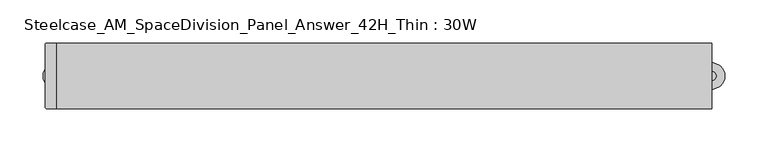
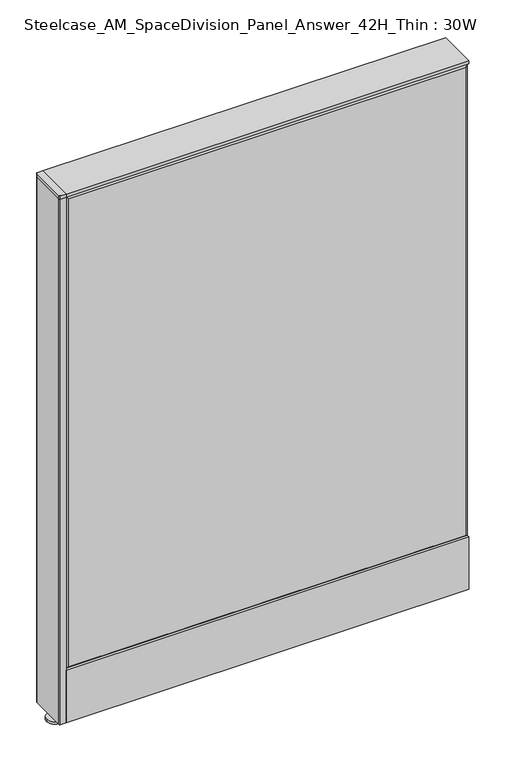
"""IFC4 building model written with IfcOpenShell, lengths in millimetres: furniture geometry, Steelcase_AM_SpaceDivision_Panel_Answer_42H_Thin : 30W."""

import ifcopenshell
import ifcopenshell.guid

model = None  # the IFC model being written
_history = None  # IfcOwnerHistory: only IFC2X3 demands one
_inside = {}  # id of a spatial element -> (the spatial element, [elements in it])
_under = {}  # id of a project, library or spatial element -> (it, [spatial elements below it])
_declared = {}  # id of a project -> (the project, [libraries it declares])
_typed = {}  # id of a type object -> (the type object, [elements of that type])
_made_of = {}  # id of a material, layer set ... -> (it, [elements and type objects made of it])


def new_model(schema):
    """Start an empty IFC model of exactly this schema.

    Asked for "IFC4X3", IfcOpenShell would pick the latest addendum, in which some entities
    have other attributes; the version numbers below select the first issue.
    IFC2X3 requires an IfcOwnerHistory on every rooted entity: one is made here for all.
    """
    global model, _history
    if schema == "IFC4X3":
        model = ifcopenshell.file(schema_version=(4, 3, 0, 0))
    else:
        model = ifcopenshell.file(schema=schema)
    _inside.clear()
    _under.clear()
    _declared.clear()
    _typed.clear()
    _made_of.clear()
    _history = None
    if model.schema == "IFC2X3":
        org = make("IfcOrganization", Name="unknown")
        user = make(
            "IfcPersonAndOrganization",
            ThePerson=make("IfcPerson", FamilyName="unknown"),
            TheOrganization=org,
        )
        app = make(
            "IfcApplication",
            ApplicationDeveloper=org,
            Version="unknown",
            ApplicationFullName="unknown",
            ApplicationIdentifier="unknown",
        )
        _history = make(
            "IfcOwnerHistory",
            OwningUser=user,
            OwningApplication=app,
            ChangeAction="ADDED",
            CreationDate=0,
        )
    return model


def make(cls, **values):
    """One entity of the class cls with the attributes given. An attribute that is None is left unset."""
    return model.create_entity(
        cls, **{name: value for name, value in values.items() if value is not None}
    )


def rooted(cls, **values):
    """An entity with a GlobalId (a new one), such as an element, a storey or a relation."""
    return make(cls, GlobalId=ifcopenshell.guid.new(), OwnerHistory=_history, **values)


def si_unit(unit_type, name, prefix=None):
    """IfcSIUnit, for example si_unit("LENGTHUNIT", "METRE", prefix="MILLI")."""
    return make("IfcSIUnit", UnitType=unit_type, Prefix=prefix, Name=name)


def assignment(units):
    """IfcUnitAssignment: the units of a project."""
    return None if units is None else make("IfcUnitAssignment", Units=units)


def point(xyz):
    """IfcCartesianPoint."""
    return None if xyz is None else make("IfcCartesianPoint", Coordinates=xyz)


def direction(xyz):
    """IfcDirection."""
    return None if xyz is None else make("IfcDirection", DirectionRatios=xyz)


def frame(location, z_axis=None, x_axis=None):
    """IfcAxis2Placement3D, a coordinate frame: its origin and axes. An axis left out is left unset."""
    return make(
        "IfcAxis2Placement3D",
        Location=point(location),
        Axis=direction(z_axis),
        RefDirection=direction(x_axis),
    )


def frame_2d(location, x_axis=None):
    """IfcAxis2Placement2D, a coordinate frame in the plane: its origin and x axis."""
    return make(
        "IfcAxis2Placement2D", Location=point(location), RefDirection=direction(x_axis)
    )


def origin():
    """The frame at (0, 0, 0) with its axes left unset."""
    return frame((0.0, 0.0, 0.0))


def place(relative_to, where):
    """IfcLocalPlacement: puts the frame where relative to a parent placement (None: the world)."""
    return make(
        "IfcLocalPlacement", PlacementRelTo=relative_to, RelativePlacement=where
    )


def context(
    kind, dimensions, precision=None, world=None, true_north=None, identifier=None
):
    """IfcGeometricRepresentationContext, for example the 3D "Model" context."""
    return make(
        "IfcGeometricRepresentationContext",
        ContextIdentifier=identifier,
        ContextType=kind,
        CoordinateSpaceDimension=dimensions,
        Precision=precision,
        WorldCoordinateSystem=world,
        TrueNorth=true_north,
    )


def project(units=None, contexts=None):
    """IfcProject with its units and contexts."""
    return rooted(
        "IfcProject",
        Name="project",
        RepresentationContexts=contexts,
        UnitsInContext=assignment(units),
    )


def spatial(cls, under=None, at=None, **own):
    """A site, building, storey or space (cls), placed at a placement, below another one or the project."""
    s = rooted(cls, ObjectPlacement=at, **own)
    if under is not None:
        _under.setdefault(under.id(), (under, []))[1].append(s)
    return s


def polyline(points):
    """IfcPolyline through the points."""
    return make("IfcPolyline", Points=[point(p) for p in points])


def circle_curve(where, radius):
    """IfcCircle in the frame where."""
    return make("IfcCircle", Position=where, Radius=radius)


def trimmed(basis, trim1, trim2, sense, master):
    """IfcTrimmedCurve: the piece of a basis curve between two trims."""
    return make(
        "IfcTrimmedCurve",
        BasisCurve=basis,
        Trim1=trim1,
        Trim2=trim2,
        SenseAgreement=sense,
        MasterRepresentation=master,
    )


def segment(curve, same_sense, transition):
    """IfcCompositeCurveSegment."""
    return make(
        "IfcCompositeCurveSegment",
        Transition=transition,
        SameSense=same_sense,
        ParentCurve=curve,
    )


def composite_curve(segments, self_intersect=None):
    """IfcCompositeCurve: segments joined end to end."""
    return make("IfcCompositeCurve", Segments=segments, SelfIntersect=self_intersect)


def outline(outer, holes=None, kind="AREA"):
    """IfcArbitraryClosedProfileDef: a profile drawn as a closed curve; with holes, ...WithVoids."""
    if holes is None:
        return make("IfcArbitraryClosedProfileDef", ProfileType=kind, OuterCurve=outer)
    return make(
        "IfcArbitraryProfileDefWithVoids",
        ProfileType=kind,
        OuterCurve=outer,
        InnerCurves=holes,
    )


def extrude(swept, where, along, depth):
    """IfcExtrudedAreaSolid: the profile swept, set in the frame where, extruded along a direction by depth."""
    return make(
        "IfcExtrudedAreaSolid",
        SweptArea=swept,
        Position=where,
        ExtrudedDirection=direction(along),
        Depth=depth,
    )


def faces_of(points, faces, orient=None, outer=None):
    """IfcFace entities. A face is a list of loops; a loop is a list of indices into points, from 0.

    orient and outer hold one flag for each loop. By default every Orientation is true, the
    first loop of a face is its IfcFaceOuterBound and the others are IfcFaceBound.
    """
    made = []
    for i, loops in enumerate(faces):
        bounds = []
        for j, loop in enumerate(loops):
            is_outer = j == 0 if outer is None else outer[i][j]
            bounds.append(
                make(
                    "IfcFaceOuterBound" if is_outer else "IfcFaceBound",
                    Bound=make("IfcPolyLoop", Polygon=[points[k] for k in loop]),
                    Orientation=True if orient is None else orient[i][j],
                )
            )
        made.append(make("IfcFace", Bounds=bounds))
    return made


def faceted_brep(points, faces, orient=None, outer=None, voids=None):
    """IfcFacetedBrep: a solid bounded by flat faces; with voids (closed shells), ...WithVoids."""
    shared = [point(p) for p in points]
    hull = make("IfcClosedShell", CfsFaces=faces_of(shared, faces, orient, outer))
    if voids is None:
        return make("IfcFacetedBrep", Outer=hull)
    return make(
        "IfcFacetedBrepWithVoids",
        Outer=hull,
        Voids=[
            make(cls, CfsFaces=faces_of(shared, fs, o, b)) for cls, fs, o, b in voids
        ],
    )


def shape(context_of_items, identifier, shape_type, items):
    """IfcShapeRepresentation: the items that make up one representation, for example the "Body"."""
    return make(
        "IfcShapeRepresentation",
        ContextOfItems=context_of_items,
        RepresentationIdentifier=identifier,
        RepresentationType=shape_type,
        Items=items,
    )


def source(mapping_origin, context_of_items, identifier, shape_type, items):
    """IfcRepresentationMap: a shape defined once, which mapped items show again and again."""
    return make(
        "IfcRepresentationMap",
        MappingOrigin=mapping_origin,
        MappedRepresentation=shape(context_of_items, identifier, shape_type, items),
    )


def transform(
    local_origin,
    x_axis=None,
    y_axis=None,
    z_axis=None,
    scale=None,
    scale2=None,
    scale3=None,
    uniform=True,
):
    """IfcCartesianTransformationOperator3D, or its non-uniform kind. x_axis, y_axis, z_axis: its Axis1, 2, 3."""
    if uniform:
        return make(
            "IfcCartesianTransformationOperator3D",
            Axis1=direction(x_axis),
            Axis2=direction(y_axis),
            LocalOrigin=point(local_origin),
            Scale=scale,
            Axis3=direction(z_axis),
        )
    return make(
        "IfcCartesianTransformationOperator3DnonUniform",
        Axis1=direction(x_axis),
        Axis2=direction(y_axis),
        LocalOrigin=point(local_origin),
        Scale=scale,
        Axis3=direction(z_axis),
        Scale2=scale2,
        Scale3=scale3,
    )


def mapped(mapping_source, mapping_target):
    """IfcMappedItem: shows the shape of a source again, moved by a transform."""
    return make(
        "IfcMappedItem", MappingSource=mapping_source, MappingTarget=mapping_target
    )


def made_of(thing, what):
    """Note that an element or type object is made of a material, layer set ...; save() writes the relation."""
    if what is not None:
        _made_of.setdefault(what.id(), (what, []))[1].append(thing)
    return thing


def element(
    cls,
    number,
    at=None,
    inside=None,
    cuts=None,
    type_object=None,
    material=None,
    context=None,
    identifier="Body",
    shape_type=None,
    held_by="IfcProductDefinitionShape",
    body=None,
    shapes=None,
    **own,
):
    """One element of the class cls, such as IfcWall. Its Tag is "e" and its number.

    at: its placement. inside: the storey or other place that contains it. cuts: it is an
    opening in that element (IfcRelVoidsElement). A single representation is given by context,
    identifier, shape_type and body (its items); several are given by shapes. held_by: the class
    of the entity that holds the representations. save() writes the other relations.
    """
    e = rooted(cls, Tag="e%d" % number, ObjectPlacement=at, **own)
    if body is not None:
        shapes = [shape(context, identifier, shape_type, body)]
    if shapes is not None:
        e.Representation = make(held_by, Representations=shapes)
    if inside is not None:
        _inside.setdefault(inside.id(), (inside, []))[1].append(e)
    if cuts is not None:
        rooted(
            "IfcRelVoidsElement", RelatingBuildingElement=cuts, RelatedOpeningElement=e
        )
    if type_object is not None:
        _typed.setdefault(type_object.id(), (type_object, []))[1].append(e)
    return made_of(e, material)


def aggregate(whole, parts):
    """IfcRelAggregates: a whole, such as a stair, and the parts it consists of."""
    return rooted("IfcRelAggregates", RelatingObject=whole, RelatedObjects=parts)


def save(model, path):
    """Write the relations noted so far, then the file.

    IfcRelAggregates (storeys below a building ...), IfcRelContainedInSpatialStructure (elements
    in a storey), IfcRelDefinesByType, IfcRelAssociatesMaterial and IfcRelDeclares: one each for
    every whole, place, type object, material and project.
    """
    for whole, parts in _under.values():
        aggregate(whole, parts)
    for where, things in _inside.values():
        rooted(
            "IfcRelContainedInSpatialStructure",
            RelatedElements=things,
            RelatingStructure=where,
        )
    for kind, things in _typed.values():
        rooted("IfcRelDefinesByType", RelatedObjects=things, RelatingType=kind)
    for what, things in _made_of.values():
        rooted("IfcRelAssociatesMaterial", RelatedObjects=things, RelatingMaterial=what)
    for by, libraries in _declared.values():
        rooted("IfcRelDeclares", RelatingContext=by, RelatedDefinitions=libraries)
    model.write(path)


def steelcase_am_spacedivision_panel_answer_42h_thin_30w_b2cf54a7(model_context):
    return source(origin(), model_context, "Body", "SolidModel", [
        extrude(outline(polyline([(-37.3075215, 119.8575157), (-37.3075215, 15.494), (-38.1000194, 15.494), (-38.1000194, 120.65), (-25.4000011, 120.65), (-25.4000011, 119.8575157), (-37.3075215, 119.8575157)])), frame((-381.0, 0.0, 0.0), z_axis=(1.0, 0.0, 0.0), x_axis=(0.0, 1.0, 0.0)), (0.0, 0.0, 1.0), 762.0),
        extrude(outline(composite_curve([segment(trimmed(circle_curve(frame_2d((381.0, -1.94e-05)), 5.08), [point((386.08, -1.94e-05))], [point((375.92, -1.94e-05))], False, "CARTESIAN"), True, "CONTINUOUS"), segment(trimmed(circle_curve(frame_2d((381.0, -1.94e-05)), 5.08), [point((375.92, -1.94e-05))], [point((386.08, -1.94e-05))], False, "CARTESIAN"), True, "CONTINUOUS")], self_intersect=False)), frame((0.0, 0.0, 5.0799671), z_axis=(0.0, 0.0, 1.0), x_axis=(1.0, 0.0, 0.0)), (0.0, 0.0, 1.0), 10.414),
        extrude(outline(composite_curve([segment(trimmed(circle_curve(frame_2d((381.0, -1.94e-05)), 15.24), [point((396.24, -1.94e-05))], [point((365.76, -1.94e-05))], False, "CARTESIAN"), True, "CONTINUOUS"), segment(trimmed(circle_curve(frame_2d((381.0, -1.94e-05)), 15.24), [point((365.76, -1.94e-05))], [point((396.24, -1.94e-05))], False, "CARTESIAN"), True, "CONTINUOUS")], self_intersect=False)), frame((0.0, 0.0, -3.29e-05), z_axis=(0.0, 0.0, 1.0), x_axis=(1.0, 0.0, 0.0)), (0.0, 0.0, 1.0), 5.08),
        extrude(outline(composite_curve([segment(trimmed(circle_curve(frame_2d((-381.0, 0.0)), 5.08), [point((-386.08, 0.0))], [point((-375.92, 0.0))], False, "CARTESIAN"), True, "CONTINUOUS"), segment(trimmed(circle_curve(frame_2d((-381.0, 0.0)), 5.08), [point((-375.92, 0.0))], [point((-386.08, 0.0))], False, "CARTESIAN"), True, "CONTINUOUS")], self_intersect=False)), frame((0.0, 0.0, 5.0799671), z_axis=(0.0, 0.0, 1.0), x_axis=(1.0, 0.0, 0.0)), (0.0, 0.0, 1.0), 10.414),
        extrude(outline(composite_curve([segment(trimmed(circle_curve(frame_2d((-381.0, 0.0)), 15.24), [point((-396.24, 0.0))], [point((-365.76, 0.0))], False, "CARTESIAN"), True, "CONTINUOUS"), segment(trimmed(circle_curve(frame_2d((-381.0, 0.0)), 15.24), [point((-365.76, 0.0))], [point((-396.24, 0.0))], False, "CARTESIAN"), True, "CONTINUOUS")], self_intersect=False)), frame((0.0, 0.0, -3.29e-05), z_axis=(0.0, 0.0, 1.0), x_axis=(1.0, 0.0, 0.0)), (0.0, 0.0, 1.0), 5.08),
        extrude(outline(composite_curve([segment(trimmed(circle_curve(frame_2d((-391.922, 36.3220194)), 1.778), [point((-393.7, 36.3220194))], [point((-391.922, 38.1000194))], False, "CARTESIAN"), True, "CONTINUOUS"), segment(polyline([(-391.922, 38.1000194), (-381.0, 38.1000194), (-381.0, -38.0999806), (-391.922, -38.0999806)]), True, "CONTINUOUS"), segment(trimmed(circle_curve(frame_2d((-391.922, -36.3219806)), 1.778), [point((-391.922, -38.0999806))], [point((-393.7, -36.3219806))], False, "CARTESIAN"), True, "CONTINUOUS"), segment(polyline([(-393.7, -36.3219806), (-393.7, 36.3220194)]), True, "CONTINUOUS")], self_intersect=False)), frame((0.0, 0.0, 1066.7999671), z_axis=(0.0, 0.0, 1.0), x_axis=(1.0, 0.0, 0.0)), (0.0, 0.0, 1.0), 6.35),
        extrude(outline(composite_curve([segment(trimmed(circle_curve(frame_2d((-391.922, 36.3220194)), 1.778), [point((-393.7, 36.3220194))], [point((-391.922, 38.1000194))], False, "CARTESIAN"), True, "CONTINUOUS"), segment(polyline([(-391.922, 38.1000194), (-381.0, 38.1000194), (-381.0, -38.0999806), (-391.922, -38.0999806)]), True, "CONTINUOUS"), segment(trimmed(circle_curve(frame_2d((-391.922, -36.3219806)), 1.778), [point((-391.922, -38.0999806))], [point((-393.7, -36.3219806))], False, "CARTESIAN"), True, "CONTINUOUS"), segment(polyline([(-393.7, -36.3219806), (-393.7, 36.3220194)]), True, "CONTINUOUS")], self_intersect=False)), frame((0.0, 0.0, 15.4939671), z_axis=(0.0, 0.0, 1.0), x_axis=(1.0, 0.0, 0.0)), (0.0, 0.0, 1.0), 1051.306),
        faceted_brep([(-376.174, 38.0960541, 1061.974), (376.174, 38.0960541, 1061.974), (376.174, 38.0960541, 766.826), (-376.174, 38.0960541, 766.826), (-381.0, 33.2700541, 1066.8), (-381.0, 33.2700541, 762.0), (381.0, 33.2700541, 762.0), (381.0, 33.2700541, 1066.8)], [[[0, 1, 2, 3]], [[4, 5, 6, 7]], [[4, 7, 1, 0]], [[7, 6, 2, 1]], [[6, 5, 3, 2]], [[5, 4, 0, 3]]]),
        faceted_brep([(-376.174, 38.0960541, 757.174), (376.174, 38.0960541, 757.174), (376.174, 38.0960541, 20.32), (-376.174, 38.0960541, 20.32), (-381.0, 33.2700541, 762.0), (-381.0, 33.2700541, 15.494), (381.0, 33.2700541, 15.494), (381.0, 33.2700541, 762.0)], [[[0, 1, 2, 3]], [[4, 5, 6, 7]], [[4, 7, 1, 0]], [[7, 6, 2, 1]], [[6, 5, 3, 2]], [[5, 4, 0, 3]]]),
        faceted_brep([(381.0, -33.2700541, 1066.8), (381.0, -33.2700541, 120.65), (-381.0, -33.2700541, 120.65), (-381.0, -33.2700541, 1066.8), (-376.174, -38.0960541, 1061.974), (376.174, -38.0960541, 1061.974), (-376.174, -38.0960541, 125.476), (376.174, -38.0960541, 125.476)], [[[0, 1, 2, 3]], [[0, 3, 4, 5]], [[5, 4, 6, 7]], [[3, 2, 6, 4]], [[2, 1, 7, 6]], [[1, 0, 5, 7]]]),
        extrude(outline(polyline([(381.0, 38.1000194), (381.0, -38.1000194), (-381.0, -38.1000194), (-381.0, 38.1000194), (381.0, 38.1000194)])), frame((0.0, 0.0, 1066.8), z_axis=(0.0, 0.0, 1.0), x_axis=(1.0, 0.0, 0.0)), (0.0, 0.0, 1.0), 6.35),
    ])


if __name__ == "__main__":
    model = new_model("IFC4")
    model_context = context("Model", 3, world=origin())
    ifc_project = project(units=[si_unit("LENGTHUNIT", "METRE", prefix="MILLI")], contexts=[model_context])
    site = spatial("IfcSite", under=ifc_project)
    building = spatial("IfcBuilding", under=site)
    placement = place(None, origin())
    steelcase_am_spacedivision_panel_answer_42h_thin_30w_shape = steelcase_am_spacedivision_panel_answer_42h_thin_30w_b2cf54a7(model_context)
    element("IfcFurniture", 1, ObjectType="Steelcase_AM_SpaceDivision_Panel_Answer_42H_Thin : 30W", at=placement, inside=building, context=model_context, shape_type="MappedRepresentation", body=[
        mapped(steelcase_am_spacedivision_panel_answer_42h_thin_30w_shape, transform((0.0, 0.0, 0.0), x_axis=(1.0, 0.0, 0.0), y_axis=(0.0, 1.0, 0.0), z_axis=(0.0, 0.0, 1.0))),
    ])
    save(model, "model.ifc")
